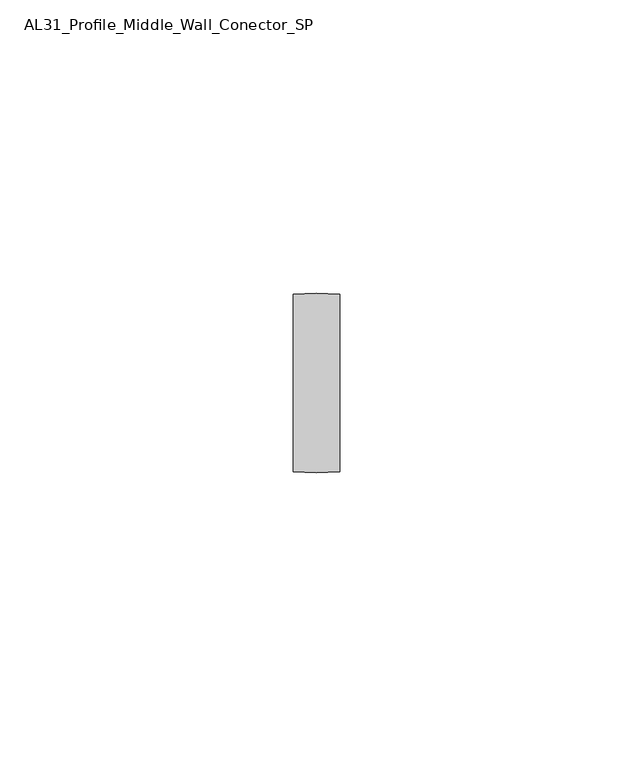
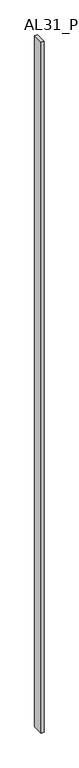
"""IFC4 building model written with IfcOpenShell, lengths in millimetres: member geometry, AL31_Profile_Middle_Wall_Conector_SP."""

from ifc_helpers import new_model, si_unit, point, frame, frame_2d, origin, place, context, project, spatial, polyline, circle_curve, trimmed, segment, composite_curve, outline, extrude, source, transform, mapped, element, save


def al31_profile_middle_wall_conector_sp_cd48c64b(model_context):
    return source(origin(), model_context, "Body", "SweptSolid", [
        extrude(outline(composite_curve([segment(trimmed(circle_curve(frame_2d((0.0, 22.6500026)), 38.0), [point((4.0, -15.1388847))], [point((-4.0, -15.1388847))], False, "CARTESIAN"), True, "CONTINUOUS"), segment(polyline([(-4.0, -15.1388847), (-4.0, 15.1388847)]), True, "CONTINUOUS"), segment(trimmed(circle_curve(frame_2d((0.0, -22.6500026)), 38.0), [point((-4.0, 15.1388847))], [point((4.0, 15.1388847))], False, "CARTESIAN"), True, "CONTINUOUS"), segment(polyline([(4.0, 15.1388847), (4.0, -15.1388847)]), True, "CONTINUOUS")], self_intersect=False)), frame((0.0, 0.0, -1984.0), z_axis=(0.0, 0.0, 1.0), x_axis=(1.0, 0.0, 0.0)), (0.0, 0.0, 1.0), 1984.0),
    ])


if __name__ == "__main__":
    model = new_model("IFC4")
    model_context = context("Model", 3, world=origin())
    ifc_project = project(units=[si_unit("LENGTHUNIT", "METRE", prefix="MILLI")], contexts=[model_context])
    site = spatial("IfcSite", under=ifc_project)
    building = spatial("IfcBuilding", under=site)
    placement = place(None, origin())
    al31_profile_middle_wall_conector_sp_shape = al31_profile_middle_wall_conector_sp_cd48c64b(model_context)
    element("IfcMember", 1, ObjectType="AL31_Profile_Middle_Wall_Conector_SP", at=placement, inside=building, context=model_context, shape_type="MappedRepresentation", body=[
        mapped(al31_profile_middle_wall_conector_sp_shape, transform((0.0, 0.0, 0.0), x_axis=(1.0, 0.0, 0.0), y_axis=(0.0, 1.0, 0.0), z_axis=(0.0, 0.0, 1.0))),
    ])
    save(model, "model.ifc")
